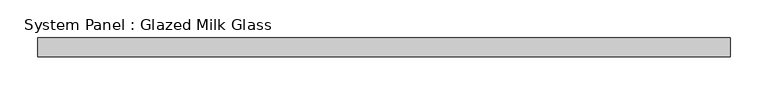
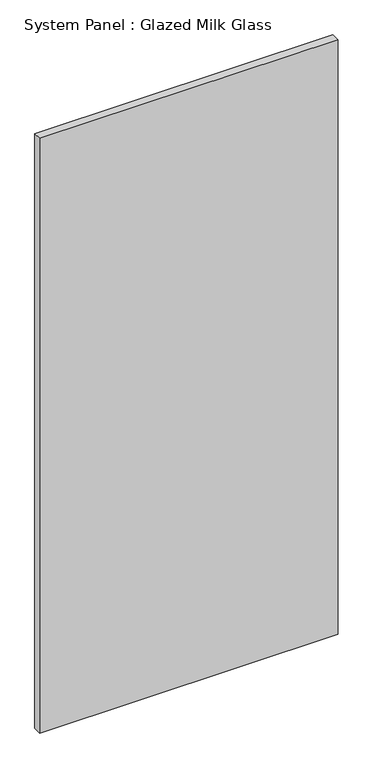
"""IFC4 building model written with IfcOpenShell, lengths in millimetres: plate geometry, System Panel : Glazed Milk Glass."""

from ifc_helpers import new_model, si_unit, origin, origin_with_axes, place, context, project, spatial, polyline, outline, extrude, source, transform, mapped, element, save


def system_panel_glazed_milk_glass_f8bfe1f0(model_context):
    return source(origin(), model_context, "Body", "SweptSolid", [
        extrude(outline(polyline([(457.15, -12.5), (-457.15, -12.5), (-457.15, 12.5), (457.15, 12.5), (457.15, -12.5)])), origin_with_axes(), (0.0, 0.0, 1.0), 1925.0),
    ])


if __name__ == "__main__":
    model = new_model("IFC4")
    model_context = context("Model", 3, world=origin())
    ifc_project = project(units=[si_unit("LENGTHUNIT", "METRE", prefix="MILLI")], contexts=[model_context])
    site = spatial("IfcSite", under=ifc_project)
    building = spatial("IfcBuilding", under=site)
    placement = place(None, origin())
    system_panel_glazed_milk_glass_shape = system_panel_glazed_milk_glass_f8bfe1f0(model_context)
    element("IfcPlate", 1, ObjectType="System Panel : Glazed Milk Glass", at=placement, inside=building, context=model_context, shape_type="MappedRepresentation", body=[
        mapped(system_panel_glazed_milk_glass_shape, transform((0.0, 0.0, 0.0), x_axis=(1.0, 0.0, 0.0), y_axis=(0.0, 1.0, 0.0), z_axis=(0.0, 0.0, 1.0))),
    ])
    save(model, "model.ifc")
